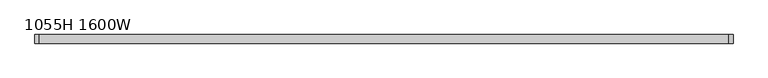
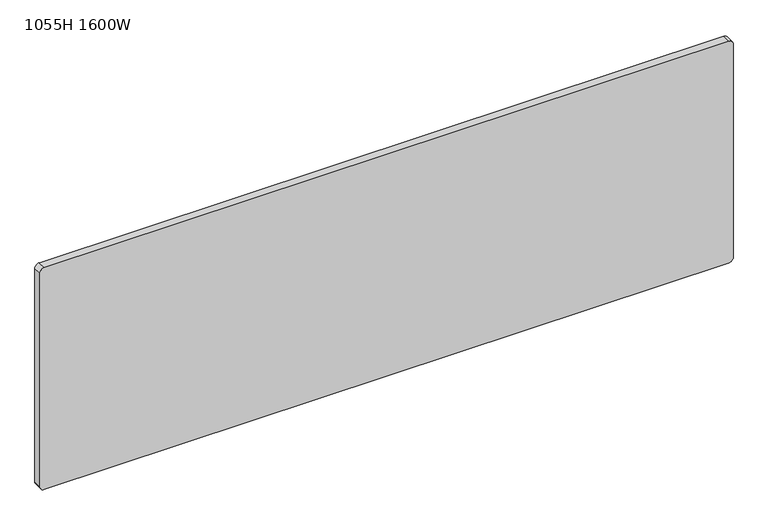
"""IFC4 building model written with IfcOpenShell, lengths in millimetres: furniture geometry, 1055H 1600W."""

from ifc_helpers import new_model, si_unit, point, frame, frame_2d, origin, place, context, project, spatial, polyline, circle_curve, trimmed, segment, composite_curve, outline, extrude, source, transform, mapped, element, save


def furniture_1055h_1600w_d1e85da3(model_context):
    return source(origin(), model_context, "Body", "SweptSolid", [
        extrude(outline(composite_curve([segment(trimmed(circle_curve(frame_2d((540.0, 802.5)), 10.0), [point((530.0, 802.5))], [point((540.0, 812.5))], False, "CARTESIAN"), True, "CONTINUOUS"), segment(polyline([(540.0, 812.5), (1070.0, 812.5)]), True, "CONTINUOUS"), segment(trimmed(circle_curve(frame_2d((1070.0, 802.5)), 10.0), [point((1070.0, 812.5))], [point((1080.0, 802.5))], False, "CARTESIAN"), True, "CONTINUOUS"), segment(polyline([(1080.0, 802.5), (1080.0, -802.5)]), True, "CONTINUOUS"), segment(trimmed(circle_curve(frame_2d((1070.0, -802.5)), 10.0), [point((1080.0, -802.5))], [point((1070.0, -812.5))], False, "CARTESIAN"), True, "CONTINUOUS"), segment(polyline([(1070.0, -812.5), (540.0, -812.5)]), True, "CONTINUOUS"), segment(trimmed(circle_curve(frame_2d((540.0, -802.5)), 10.0), [point((540.0, -812.5))], [point((530.0, -802.5))], False, "CARTESIAN"), True, "CONTINUOUS"), segment(polyline([(530.0, -802.5), (530.0, 802.5)]), True, "CONTINUOUS")], self_intersect=False)), frame((0.0, -10.0, 0.0), z_axis=(0.0, 1.0, 0.0), x_axis=(0.0, 0.0, 1.0)), (0.0, 0.0, 1.0), 20.0),
    ])


if __name__ == "__main__":
    model = new_model("IFC4")
    model_context = context("Model", 3, world=origin())
    ifc_project = project(units=[si_unit("LENGTHUNIT", "METRE", prefix="MILLI")], contexts=[model_context])
    site = spatial("IfcSite", under=ifc_project)
    building = spatial("IfcBuilding", under=site)
    placement = place(None, origin())
    furniture_1055h_1600w_shape = furniture_1055h_1600w_d1e85da3(model_context)
    element("IfcFurniture", 1, ObjectType="1055H 1600W", at=placement, inside=building, context=model_context, shape_type="MappedRepresentation", body=[
        mapped(furniture_1055h_1600w_shape, transform((0.0, 0.0, 0.0), x_axis=(1.0, 0.0, 0.0), y_axis=(0.0, 1.0, 0.0), z_axis=(0.0, 0.0, 1.0))),
    ])
    save(model, "model.ifc")
